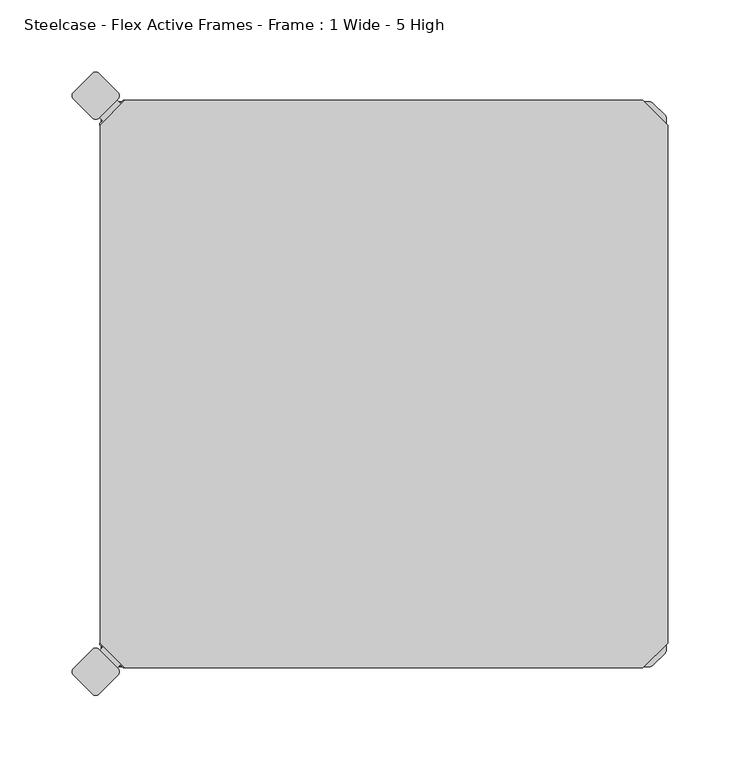
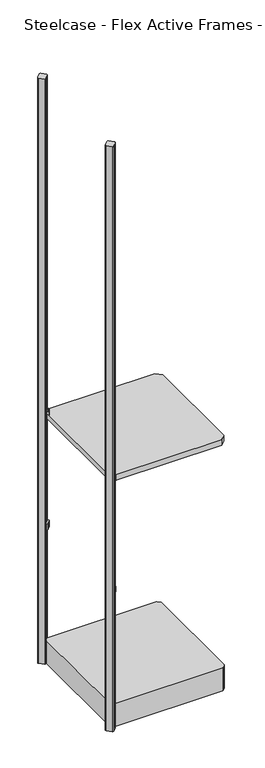
"""IFC4 building model written with IfcOpenShell, lengths in millimetres: furniture geometry, Steelcase - Flex Active Frames - Frame : 1 Wide - 5 High."""

from ifc_helpers import new_model, si_unit, point, frame, frame_2d, origin, place, context, project, spatial, polyline, circle_curve, trimmed, segment, composite_curve, outline, extrude, source, transform, mapped, element, save


def steelcase_flex_active_frames_frame_1_wide_5_high_db583609(model_context):
    return source(origin(), model_context, "Body", "SweptSolid", [
        extrude(outline(composite_curve([segment(polyline([(14.1435643, -1.93874), (16.1135271, 0.0311996), (17.21346, 0.0189911), (16.8478877, -2.7161946)]), True, "CONTINUOUS"), segment(trimmed(circle_curve(frame_2d((10.5538564, -1.8749633)), 6.35), [point((16.8478877, -2.7161946))], [point((15.0440146, -6.3650612))], False, "CARTESIAN"), True, "CONTINUOUS"), segment(polyline([(15.0440146, -6.3650612), (6.3747216, -15.0344708)]), True, "CONTINUOUS"), segment(trimmed(circle_curve(frame_2d((1.8845634, -10.5443729)), 6.35), [point((6.3747216, -15.0344708))], [point((2.7256188, -16.8384277))], False, "CARTESIAN"), True, "CONTINUOUS"), segment(polyline([(2.7256188, -16.8384277), (-0.0095198, -17.203916), (-0.0217057, -16.1038431), (1.949228, -14.1329326), (-0.1387028, -12.044977), (12.0555989, 0.1493247), (14.1435643, -1.93874)]), True, "CONTINUOUS")], self_intersect=False)), frame((0.0, 0.0, 496.4821468), z_axis=(0.0, 0.0, 1.0), x_axis=(1.0, 0.0, 0.0)), (0.0, 0.0, 1.0), 20.2281258),
        extrude(outline(composite_curve([segment(polyline([(14.1435643, -392.01526), (12.0555989, -394.1033247), (-0.1387028, -381.909023), (1.949228, -379.8210674), (-0.0217057, -377.8501569), (-0.0095198, -376.750084), (2.7256188, -377.1155723)]), True, "CONTINUOUS"), segment(trimmed(circle_curve(frame_2d((1.8845634, -383.4096271)), 6.35), [point((2.7256188, -377.1155723))], [point((6.3747216, -378.9195292))], False, "CARTESIAN"), True, "CONTINUOUS"), segment(polyline([(6.3747216, -378.9195292), (15.0440146, -387.5889388)]), True, "CONTINUOUS"), segment(trimmed(circle_curve(frame_2d((10.5538564, -392.0790367)), 6.35), [point((15.0440146, -387.5889388))], [point((16.8478877, -391.2378054))], False, "CARTESIAN"), True, "CONTINUOUS"), segment(polyline([(16.8478877, -391.2378054), (17.21346, -393.9729911), (16.1135271, -393.9851996), (14.1435643, -392.01526)]), True, "CONTINUOUS")], self_intersect=False)), frame((0.0, 0.0, 496.4821468), z_axis=(0.0, 0.0, 1.0), x_axis=(1.0, 0.0, 0.0)), (0.0, 0.0, 1.0), 20.2281258),
        extrude(outline(polyline([(0.0003876, -376.7599914), (0.0003876, -17.1940086), (17.1943962, 0.0), (376.8050768, 0.0), (393.9990854, -17.1940086), (393.9990854, -376.7599914), (376.8050768, -393.954), (17.1943962, -393.954), (0.0003876, -376.7599914)])), frame((0.0, 0.0, 897.4997719), z_axis=(0.0, 0.0, 1.0), x_axis=(1.0, 0.0, 0.0)), (0.0, 0.0, 1.0), 19.0000031),
        extrude(outline(composite_curve([segment(polyline([(14.1435643, -1.93874), (16.1135271, 0.0311996), (17.21346, 0.0189911), (16.8478877, -2.7161946)]), True, "CONTINUOUS"), segment(trimmed(circle_curve(frame_2d((10.5538564, -1.8749633)), 6.35), [point((16.8478877, -2.7161946))], [point((15.0440146, -6.3650612))], False, "CARTESIAN"), True, "CONTINUOUS"), segment(polyline([(15.0440146, -6.3650612), (6.3747216, -15.0344708)]), True, "CONTINUOUS"), segment(trimmed(circle_curve(frame_2d((1.8845634, -10.5443729)), 6.35), [point((6.3747216, -15.0344708))], [point((2.7256188, -16.8384277))], False, "CARTESIAN"), True, "CONTINUOUS"), segment(polyline([(2.7256188, -16.8384277), (-0.0095198, -17.203916), (-0.0217057, -16.1038431), (1.949228, -14.1329326), (-0.1387028, -12.044977), (12.0555989, 0.1493247), (14.1435643, -1.93874)]), True, "CONTINUOUS")], self_intersect=False)), frame((0.0, 0.0, 896.4822952), z_axis=(0.0, 0.0, 1.0), x_axis=(1.0, 0.0, 0.0)), (0.0, 0.0, 1.0), 20.2281258),
        extrude(outline(composite_curve([segment(polyline([(14.1435643, -392.01526), (12.0555989, -394.1033247), (-0.1387028, -381.909023), (1.949228, -379.8210674), (-0.0217057, -377.8501569), (-0.0095198, -376.750084), (2.7256188, -377.1155723)]), True, "CONTINUOUS"), segment(trimmed(circle_curve(frame_2d((1.8845634, -383.4096271)), 6.35), [point((2.7256188, -377.1155723))], [point((6.3747216, -378.9195292))], False, "CARTESIAN"), True, "CONTINUOUS"), segment(polyline([(6.3747216, -378.9195292), (15.0440146, -387.5889388)]), True, "CONTINUOUS"), segment(trimmed(circle_curve(frame_2d((10.5538564, -392.0790367)), 6.35), [point((15.0440146, -387.5889388))], [point((16.8478877, -391.2378054))], False, "CARTESIAN"), True, "CONTINUOUS"), segment(polyline([(16.8478877, -391.2378054), (17.21346, -393.9729911), (16.1135271, -393.9851996), (14.1435643, -392.01526)]), True, "CONTINUOUS")], self_intersect=False)), frame((0.0, 0.0, 896.4822952), z_axis=(0.0, 0.0, 1.0), x_axis=(1.0, 0.0, 0.0)), (0.0, 0.0, 1.0), 20.2281258),
        extrude(outline(composite_curve([segment(polyline([(12.155908, -1.0018273), (381.8659992, -1.0019264)]), True, "CONTINUOUS"), segment(trimmed(circle_curve(frame_2d((381.8435656, -3.5418273)), 2.54), [point((381.8659992, -1.0019264))], [point((383.6396169, -1.7457761))], False, "CARTESIAN"), True, "CONTINUOUS"), segment(polyline([(383.6396169, -1.7457761), (392.2479569, -10.3541161)]), True, "CONTINUOUS"), segment(trimmed(circle_curve(frame_2d((390.4519057, -12.1501673)), 2.54), [point((392.2479569, -10.3541161))], [point((392.9919057, -12.1501687))], False, "CARTESIAN"), True, "CONTINUOUS"), segment(polyline([(392.9919057, -12.1501687), (392.9917079, -381.8355295)]), True, "CONTINUOUS"), segment(trimmed(circle_curve(frame_2d((390.4519057, -381.8038327)), 2.54), [point((392.9917079, -381.8355295))], [point((392.2479569, -383.5998839))], False, "CARTESIAN"), True, "CONTINUOUS"), segment(polyline([(392.2479569, -383.5998839), (383.6396169, -392.2082239)]), True, "CONTINUOUS"), segment(trimmed(circle_curve(frame_2d((381.8435656, -390.4121727)), 2.54), [point((383.6396169, -392.2082239))], [point((381.8659992, -392.9520736))], False, "CARTESIAN"), True, "CONTINUOUS"), segment(polyline([(381.8659992, -392.9520736), (12.155908, -392.9521727)]), True, "CONTINUOUS"), segment(trimmed(circle_curve(frame_2d((12.1559074, -390.4121727)), 2.54), [point((12.155908, -392.9521727))], [point((10.3598561, -392.2082239))], False, "CARTESIAN"), True, "CONTINUOUS"), segment(polyline([(10.3598561, -392.2082239), (1.7515161, -383.5998839)]), True, "CONTINUOUS"), segment(trimmed(circle_curve(frame_2d((3.5475673, -381.8038327)), 2.54), [point((1.7515161, -383.5998839))], [point((1.0077651, -381.8355295))], False, "CARTESIAN"), True, "CONTINUOUS"), segment(polyline([(1.0077651, -381.8355295), (1.0075673, -12.1501687)]), True, "CONTINUOUS"), segment(trimmed(circle_curve(frame_2d((3.5475673, -12.1501673)), 2.54), [point((1.0075673, -12.1501687))], [point((1.7515161, -10.3541161))], False, "CARTESIAN"), True, "CONTINUOUS"), segment(polyline([(1.7515161, -10.3541161), (10.3598561, -1.7457761)]), True, "CONTINUOUS"), segment(trimmed(circle_curve(frame_2d((12.1559074, -3.5418273)), 2.54), [point((10.3598561, -1.7457761))], [point((12.155908, -1.0018273))], False, "CARTESIAN"), True, "CONTINUOUS")], self_intersect=False)), frame((0.0, 0.0, 12.5999909), z_axis=(0.0, 0.0, 1.0), x_axis=(1.0, 0.0, 0.0)), (0.0, 0.0, 1.0), 82.39977),
        extrude(outline(composite_curve([segment(polyline([(-18.5290767, 5.1536029), (-5.1665297, 18.5163124)]), True, "CONTINUOUS"), segment(trimmed(circle_curve(frame_2d((-3.0112551, 16.3610641)), 3.048), [point((-5.1665297, 18.5163124))], [point((-0.8559936, 18.5163256))], False, "CARTESIAN"), True, "CONTINUOUS"), segment(polyline([(-0.8559936, 18.5163256), (12.5067035, 5.1536284)]), True, "CONTINUOUS"), segment(trimmed(circle_curve(frame_2d((10.351442, 2.998367)), 3.048), [point((12.5067035, 5.1536284))], [point((12.5067144, 0.8431164))], False, "CARTESIAN"), True, "CONTINUOUS"), segment(polyline([(12.5067144, 0.8431164), (-0.8557649, -12.5194983)]), True, "CONTINUOUS"), segment(trimmed(circle_curve(frame_2d((-3.0110373, -10.3642478)), 3.048), [point((-0.8557649, -12.5194983))], [point((-5.1662856, -12.5195224))], False, "CARTESIAN"), True, "CONTINUOUS"), segment(polyline([(-5.1662856, -12.5195224), (-18.5290505, 0.8430799)]), True, "CONTINUOUS"), segment(trimmed(circle_curve(frame_2d((-16.3738021, 2.9983545)), 3.048), [point((-18.5290505, 0.8430799))], [point((-18.5290767, 5.1536029))], False, "CARTESIAN"), True, "CONTINUOUS")], self_intersect=False)), frame((0.0, 0.0, 12.5999909), z_axis=(0.0, 0.0, 1.0), x_axis=(1.0, 0.0, 0.0)), (0.0, 0.0, 1.0), 2103.9820091),
        extrude(outline(composite_curve([segment(trimmed(circle_curve(frame_2d((-16.3738021, -396.9523545)), 3.048), [point((-18.5290767, -399.1076029))], [point((-18.5290505, -394.7970799))], False, "CARTESIAN"), True, "CONTINUOUS"), segment(polyline([(-18.5290505, -394.7970799), (-5.1662856, -381.4344776)]), True, "CONTINUOUS"), segment(trimmed(circle_curve(frame_2d((-3.0110373, -383.5897522)), 3.048), [point((-5.1662856, -381.4344776))], [point((-0.8557649, -381.4345017))], False, "CARTESIAN"), True, "CONTINUOUS"), segment(polyline([(-0.8557649, -381.4345017), (12.5067144, -394.7971164)]), True, "CONTINUOUS"), segment(trimmed(circle_curve(frame_2d((10.351442, -396.952367)), 3.048), [point((12.5067144, -394.7971164))], [point((12.5067035, -399.1076284))], False, "CARTESIAN"), True, "CONTINUOUS"), segment(polyline([(12.5067035, -399.1076284), (-0.8559936, -412.4703256)]), True, "CONTINUOUS"), segment(trimmed(circle_curve(frame_2d((-3.0112551, -410.3150641)), 3.048), [point((-0.8559936, -412.4703256))], [point((-5.1665297, -412.4703124))], False, "CARTESIAN"), True, "CONTINUOUS"), segment(polyline([(-5.1665297, -412.4703124), (-18.5290767, -399.1076029)]), True, "CONTINUOUS")], self_intersect=False)), frame((0.0, 0.0, 12.5999909), z_axis=(0.0, 0.0, 1.0), x_axis=(1.0, 0.0, 0.0)), (0.0, 0.0, 1.0), 2103.9820091),
    ])


if __name__ == "__main__":
    model = new_model("IFC4")
    model_context = context("Model", 3, world=origin())
    ifc_project = project(units=[si_unit("LENGTHUNIT", "METRE", prefix="MILLI")], contexts=[model_context])
    site = spatial("IfcSite", under=ifc_project)
    building = spatial("IfcBuilding", under=site)
    placement = place(None, origin())
    steelcase_flex_active_frames_frame_1_wide_5_high_shape = steelcase_flex_active_frames_frame_1_wide_5_high_db583609(model_context)
    element("IfcFurniture", 1, ObjectType="Steelcase - Flex Active Frames - Frame : 1 Wide - 5 High", at=placement, inside=building, context=model_context, shape_type="MappedRepresentation", body=[
        mapped(steelcase_flex_active_frames_frame_1_wide_5_high_shape, transform((0.0, 0.0, 0.0), x_axis=(1.0, 0.0, 0.0), y_axis=(0.0, 1.0, 0.0), z_axis=(0.0, 0.0, 1.0))),
    ])
    save(model, "model.ifc")
